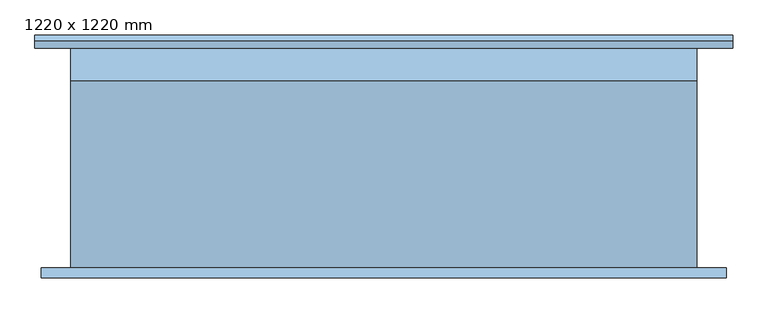
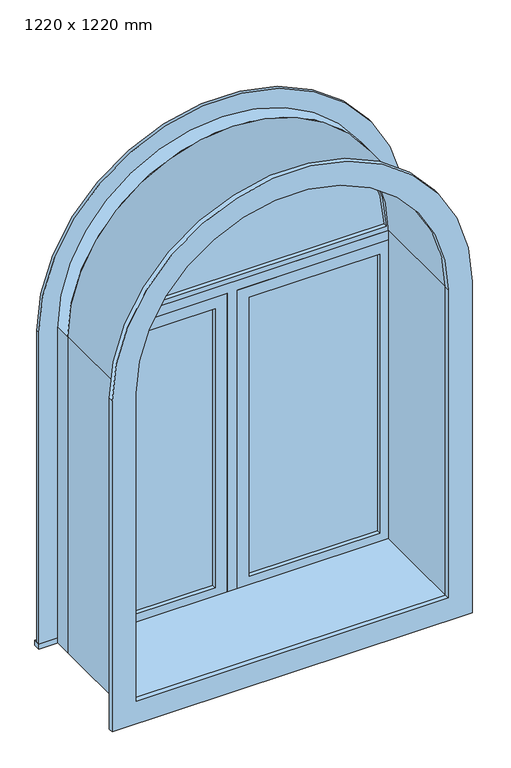
"""IFC4 building model written with IfcOpenShell, lengths in millimetres: window geometry, 1220 x 1220 mm."""

from ifc_helpers import new_model, si_unit, point, frame, frame_2d, origin, place, context, project, spatial, polyline, circle_curve, trimmed, segment, composite_curve, outline, extrude, source, transform, mapped, element, save


def window_1220_x_1220_mm_f0316e52(model_context):
    return source(origin(), model_context, "Body", "SweptSolid", [
        extrude(outline(composite_curve([segment(polyline([(2154.05, -659.2478419), (857.75, -659.2478419), (857.75, 675.2521581), (2154.05, 675.2521581)]), True, "CONTINUOUS"), segment(trimmed(circle_curve(frame_2d((2154.05, 8.0021581)), 667.25), [point((2154.05, 675.2521581))], [point((2154.05, -659.2478419))], False, "CARTESIAN"), True, "CONTINUOUS")], self_intersect=False), holes=[composite_curve([segment(trimmed(circle_curve(frame_2d((2154.05, 8.0021581)), 578.25), [point((2154.05, -570.2478419))], [point((2154.05, 586.2521581))], True, "CARTESIAN"), True, "CONTINUOUS"), segment(polyline([(2154.05, 586.2521581), (946.75, 586.2521581), (946.75, -570.2478419), (2154.05, -570.2478419)]), True, "CONTINUOUS")], self_intersect=False)]), frame((0.0, -233.5, 0.0), z_axis=(0.0, 1.0, 0.0), x_axis=(0.0, 0.0, 1.0)), (0.0, 0.0, 1.0), 19.0),
        extrude(outline(composite_curve([segment(trimmed(circle_curve(frame_2d((2154.05, 8.0021581)), 571.8997779), [point((2173.0999995, 579.5845699))], [point((2173.0999995, -563.5802537))], False, "CARTESIAN"), True, "CONTINUOUS"), segment(polyline([(2173.0999995, -563.5802537), (2173.0999995, 579.5845699)]), True, "CONTINUOUS")], self_intersect=False)), frame((0.0, 166.925, 0.0), z_axis=(0.0, 1.0, 0.0), x_axis=(0.0, 0.0, 1.0)), (0.0, 0.0, 1.0), 12.7),
        extrude(outline(composite_curve([segment(trimmed(circle_curve(frame_2d((2154.05, 8.0021581)), 590.95), [point((2154.05, 598.9521581))], [point((2154.05, -582.9478419))], False, "CARTESIAN"), True, "CONTINUOUS"), segment(polyline([(2154.05, -582.9478419), (2154.05, 598.9521581)]), True, "CONTINUOUS")], self_intersect=False), holes=[composite_curve([segment(polyline([(2173.0999995, 579.5845698), (2173.0999995, -563.5802537)]), True, "CONTINUOUS"), segment(trimmed(circle_curve(frame_2d((2154.05, 8.0021581)), 571.8997779), [point((2173.0999995, -563.5802537))], [point((2173.0999995, 579.5845698))], True, "CARTESIAN"), True, "CONTINUOUS")], self_intersect=False)]), frame((0.0, 151.05, 0.0), z_axis=(0.0, 1.0, 0.0), x_axis=(0.0, 0.0, 1.0)), (0.0, 0.0, 1.0), 44.45),
        extrude(outline(composite_curve([segment(polyline([(915.0, -601.9978419), (915.0, 618.0021581), (2154.05, 618.0021581)]), True, "CONTINUOUS"), segment(trimmed(circle_curve(frame_2d((2154.05, 8.0021581)), 610.0), [point((2154.05, 618.0021581))], [point((2154.05, -601.9978419))], False, "CARTESIAN"), True, "CONTINUOUS"), segment(polyline([(2154.05, -601.9978419), (915.0, -601.9978419)]), True, "CONTINUOUS")], self_intersect=False), holes=[composite_curve([segment(polyline([(934.05, -582.9478419), (2154.05, -582.9478419)]), True, "CONTINUOUS"), segment(trimmed(circle_curve(frame_2d((2154.05, 8.0021581)), 590.95), [point((2154.05, -582.9478419))], [point((2154.05, 598.9521581))], True, "CARTESIAN"), True, "CONTINUOUS"), segment(polyline([(2154.05, 598.9521581), (934.05, 598.9521581), (934.05, -582.9478419)]), True, "CONTINUOUS")], self_intersect=False)]), frame((0.0, 151.05, 0.0), z_axis=(0.0, 1.0, 0.0), x_axis=(0.0, 0.0, 1.0)), (0.0, 0.0, 1.0), 63.45),
        extrude(outline(polyline([(71.5021581, 179.625), (554.5021581, 179.625), (554.5021581, 166.925), (71.5021581, 166.925), (71.5021581, 179.625)])), frame((0.0, 0.0, 978.5), z_axis=(0.0, 0.0, 1.0), x_axis=(1.0, 0.0, 0.0)), (0.0, 0.0, 1.0), 1093.0),
        extrude(outline(polyline([(2115.95, 27.0521581), (934.05, 27.0521581), (934.05, 598.9521581), (2115.95, 598.9521581), (2115.95, 27.0521581)]), holes=[polyline([(2071.5, 71.5021581), (2071.5, 554.5021581), (978.5, 554.5021581), (978.5, 71.5021581), (2071.5, 71.5021581)])]), frame((0.0, 151.05, 0.0), z_axis=(0.0, 1.0, 0.0), x_axis=(0.0, 0.0, 1.0)), (0.0, 0.0, 1.0), 44.45),
        extrude(outline(polyline([(934.05, -11.0478419), (934.05, 27.0521581), (2115.95, 27.0521581), (2115.95, 598.9521581), (2154.05, 598.9521581), (2154.05, -582.9478419), (2115.95, -582.9478419), (2115.95, -11.0478419), (934.05, -11.0478419)])), frame((0.0, 151.05, 0.0), z_axis=(0.0, 1.0, 0.0), x_axis=(0.0, 0.0, 1.0)), (0.0, 0.0, 1.0), 63.5),
        extrude(outline(polyline([(-671.9478419, 240.2), (687.9521581, 240.2), (687.9521581, 214.5), (-671.9478419, 214.5), (-671.9478419, 240.2)])), frame((0.0, 0.0, 915.0), z_axis=(0.0, 0.0, 1.0), x_axis=(1.0, 0.0, 0.0)), (0.0, 0.0, 1.0), 19.05),
        extrude(outline(composite_curve([segment(polyline([(934.05, 598.9521581), (934.05, 687.9521581), (2154.05, 687.9521581)]), True, "CONTINUOUS"), segment(trimmed(circle_curve(frame_2d((2154.05, 8.0021581)), 679.95), [point((2154.05, 687.9521581))], [point((2154.05, -671.9478419))], False, "CARTESIAN"), True, "CONTINUOUS"), segment(polyline([(2154.05, -671.9478419), (934.05, -671.9478419), (934.05, -582.9478419), (2154.05, -582.9478419)]), True, "CONTINUOUS"), segment(trimmed(circle_curve(frame_2d((2154.05, 8.0021581)), 590.95), [point((2154.05, -582.9478419))], [point((2154.05, 598.9521581))], True, "CARTESIAN"), True, "CONTINUOUS"), segment(polyline([(2154.05, 598.9521581), (934.05, 598.9521581)]), True, "CONTINUOUS")], self_intersect=False)), frame((0.0, 214.5, 0.0), z_axis=(0.0, 1.0, 0.0), x_axis=(0.0, 0.0, 1.0)), (0.0, 0.0, 1.0), 13.0),
        extrude(outline(polyline([(-55.4978419, 166.925), (-538.4978419, 166.925), (-538.4978419, 179.625), (-55.4978419, 179.625), (-55.4978419, 166.925)])), frame((0.0, 0.0, 978.5), z_axis=(0.0, 0.0, 1.0), x_axis=(1.0, 0.0, 0.0)), (0.0, 0.0, 1.0), 1093.0),
        extrude(outline(polyline([(2115.95, -582.9478419), (934.05, -582.9478419), (934.05, -11.0478419), (2115.95, -11.0478419), (2115.95, -582.9478419)]), holes=[polyline([(2071.5, -538.4978419), (2071.5, -55.4978419), (978.5, -55.4978419), (978.5, -538.4978419), (2071.5, -538.4978419)])]), frame((0.0, 151.05, 0.0), z_axis=(0.0, 1.0, 0.0), x_axis=(0.0, 0.0, 1.0)), (0.0, 0.0, 1.0), 44.45),
        extrude(outline(composite_curve([segment(polyline([(915.0, 618.0021581), (2154.05, 618.0021581)]), True, "CONTINUOUS"), segment(trimmed(circle_curve(frame_2d((2154.05, 8.0021581)), 610.0), [point((2154.05, 618.0021581))], [point((2154.05, -601.9978419))], False, "CARTESIAN"), True, "CONTINUOUS"), segment(polyline([(2154.05, -601.9978419), (915.0, -601.9978419), (915.0, 618.0021581)]), True, "CONTINUOUS")], self_intersect=False), holes=[composite_curve([segment(polyline([(946.75, 586.2521581), (946.75, -570.2478419), (2154.05, -570.2478419)]), True, "CONTINUOUS"), segment(trimmed(circle_curve(frame_2d((2154.05, 8.0021581)), 578.25), [point((2154.05, -570.2478419))], [point((2154.05, 586.2521581))], True, "CARTESIAN"), True, "CONTINUOUS"), segment(polyline([(2154.05, 586.2521581), (946.75, 586.2521581)]), True, "CONTINUOUS")], self_intersect=False)]), frame((0.0, -214.5, 0.0), z_axis=(0.0, 1.0, 0.0), x_axis=(0.0, 0.0, 1.0)), (0.0, 0.0, 1.0), 365.55),
    ])


if __name__ == "__main__":
    model = new_model("IFC4")
    model_context = context("Model", 3, world=origin())
    ifc_project = project(units=[si_unit("LENGTHUNIT", "METRE", prefix="MILLI")], contexts=[model_context])
    site = spatial("IfcSite", under=ifc_project)
    building = spatial("IfcBuilding", under=site)
    placement = place(None, origin())
    window_1220_x_1220_mm_shape = window_1220_x_1220_mm_f0316e52(model_context)
    element("IfcWindow", 1, ObjectType="1220 x 1220 mm", at=placement, inside=building, context=model_context, shape_type="MappedRepresentation", body=[
        mapped(window_1220_x_1220_mm_shape, transform((0.0, 0.0, 0.0), x_axis=(1.0, 0.0, 0.0), y_axis=(0.0, 1.0, 0.0), z_axis=(0.0, 0.0, 1.0))),
    ])
    save(model, "model.ifc")
